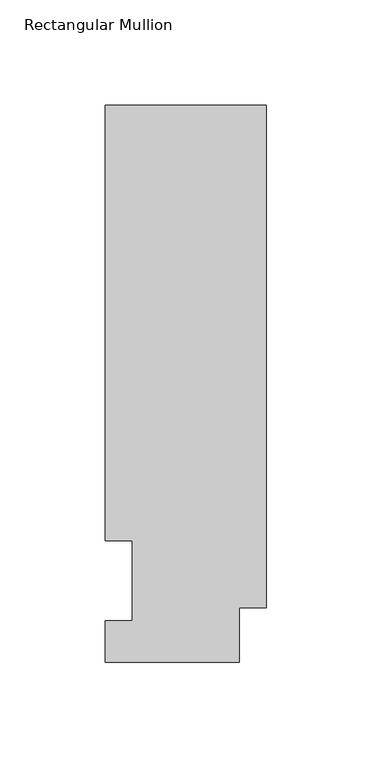
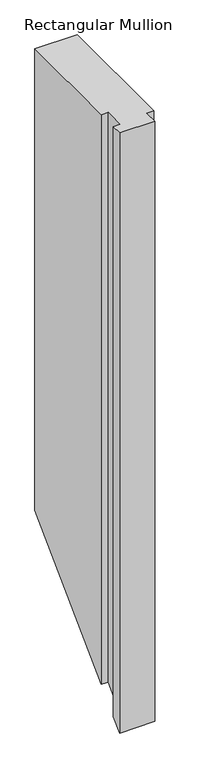
"""IFC4 building model written with IfcOpenShell, lengths in millimetres: member geometry, Rectangular Mullion."""

from ifc_helpers import new_model, si_unit, origin, place, context, project, spatial, faceted_brep, source, transform, mapped, element, save


def rectangular_mullion_12651422(model_context):
    return source(origin(), model_context, "Body", "Brep", [
        faceted_brep([(0.0, 25.8960937, 0.0), (0.0, 264.0210938, 0.0), (-76.2, 264.0210938, 0.0), (-76.2, 57.6460938, 0.0), (-63.5127, 57.6460938, 0.0), (-63.5127, 19.5460938, 0.0), (-76.2, 19.5460938, 0.0), (-76.2, 0.0134938, 0.0), (-12.7, 0.0134938, 0.0), (-12.7, 25.8960937, 0.0), (0.0, 25.8960937, -1117.1174), (0.0, 264.0210938, -878.9924), (-76.2, 264.0210938, -878.9924), (-76.2, 57.6460938, -1085.3674), (-63.5127, 57.6460938, -1085.3674), (-63.5127, 19.5460938, -1123.4674), (-76.2, 19.5460938, -1123.4674), (-76.2, 0.0134938, -1143.0), (-12.7, 0.0134938, -1143.0), (-12.7, 25.8960937, -1117.1174)], [[[0, 1, 2, 3, 4, 5, 6, 7, 8, 9]], [[1, 0, 10, 11]], [[2, 1, 11, 12]], [[3, 2, 12, 13]], [[4, 3, 13, 14]], [[5, 4, 14, 15]], [[6, 5, 15, 16]], [[7, 6, 16, 17]], [[8, 7, 17, 18]], [[9, 8, 18, 19]], [[0, 9, 19, 10]], [[10, 19, 18, 17, 16, 15, 14, 13, 12, 11]]]),
    ])


if __name__ == "__main__":
    model = new_model("IFC4")
    model_context = context("Model", 3, world=origin())
    ifc_project = project(units=[si_unit("LENGTHUNIT", "METRE", prefix="MILLI")], contexts=[model_context])
    site = spatial("IfcSite", under=ifc_project)
    building = spatial("IfcBuilding", under=site)
    placement = place(None, origin())
    rectangular_mullion_shape = rectangular_mullion_12651422(model_context)
    element("IfcMember", 1, ObjectType="Rectangular Mullion", at=placement, inside=building, context=model_context, shape_type="MappedRepresentation", body=[
        mapped(rectangular_mullion_shape, transform((0.0, 0.0, 0.0), x_axis=(1.0, 0.0, 0.0), y_axis=(0.0, 1.0, 0.0), z_axis=(0.0, 0.0, 1.0))),
    ])
    save(model, "model.ifc")
